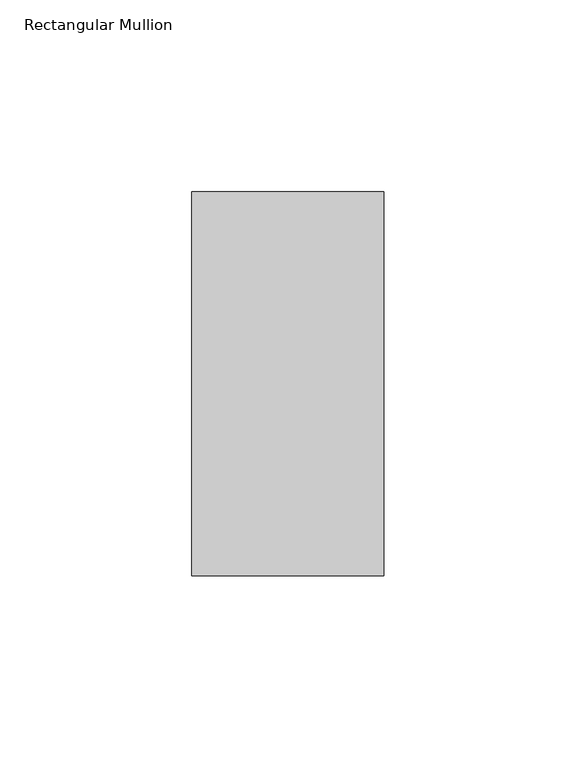
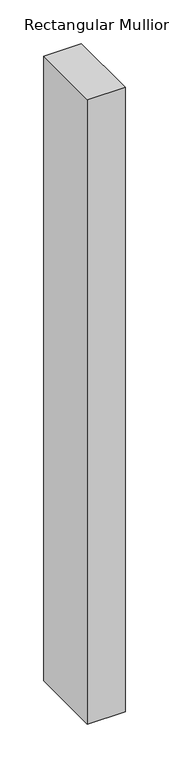
"""IFC4 building model written with IfcOpenShell, lengths in millimetres: member geometry, Rectangular Mullion."""

from ifc_helpers import new_model, si_unit, frame, origin, place, context, project, spatial, polyline, outline, extrude, source, transform, mapped, element, save


def rectangular_mullion_404d206a(model_context):
    return source(origin(), model_context, "Body", "SweptSolid", [
        extrude(outline(polyline([(25.0, 69.0), (25.0, -31.0), (-25.0, -31.0), (-25.0, 69.0), (25.0, 69.0)])), frame((0.0, 0.0, -873.3333333), z_axis=(0.0, 0.0, 1.0), x_axis=(1.0, 0.0, 0.0)), (0.0, 0.0, 1.0), 873.3333333),
    ])


if __name__ == "__main__":
    model = new_model("IFC4")
    model_context = context("Model", 3, world=origin())
    ifc_project = project(units=[si_unit("LENGTHUNIT", "METRE", prefix="MILLI")], contexts=[model_context])
    site = spatial("IfcSite", under=ifc_project)
    building = spatial("IfcBuilding", under=site)
    placement = place(None, origin())
    rectangular_mullion_shape = rectangular_mullion_404d206a(model_context)
    element("IfcMember", 1, ObjectType="Rectangular Mullion", at=placement, inside=building, context=model_context, shape_type="MappedRepresentation", body=[
        mapped(rectangular_mullion_shape, transform((0.0, 0.0, 0.0), x_axis=(1.0, 0.0, 0.0), y_axis=(0.0, 1.0, 0.0), z_axis=(0.0, 0.0, 1.0))),
    ])
    save(model, "model.ifc")
